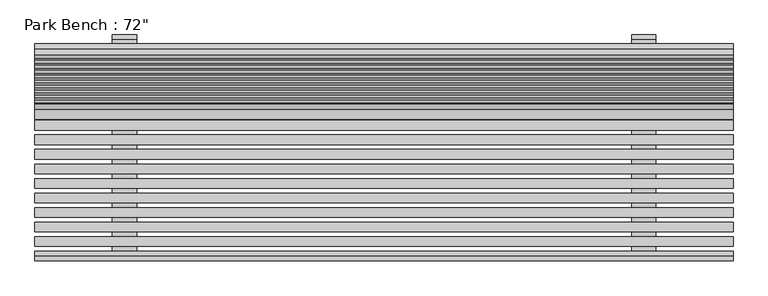
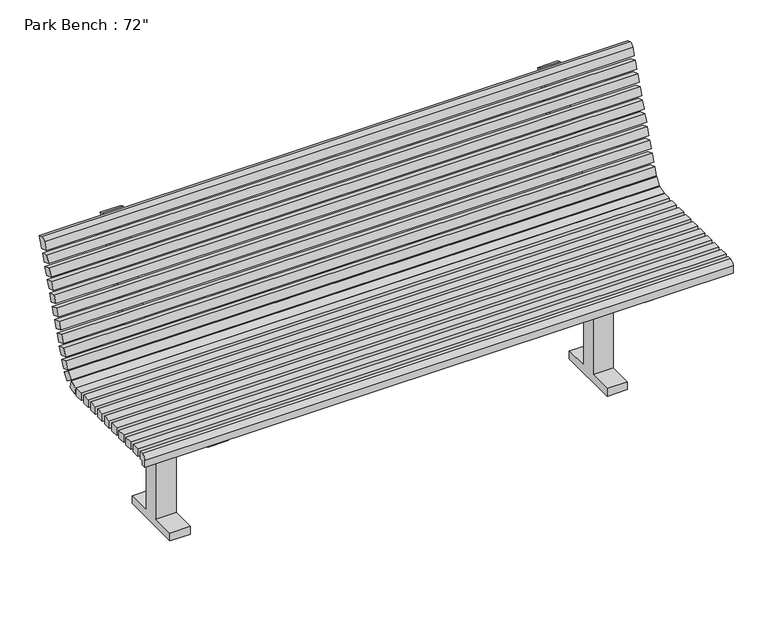
"""IFC4 building model written with IfcOpenShell, lengths in millimetres: geographic element geometry."""

from ifc_helpers import new_model, si_unit, point, frame, frame_2d, origin, place, context, project, spatial, polyline, circle_curve, trimmed, segment, composite_curve, outline, extrude, source, transform, mapped, element, save


def geographic_element_235d1464(model_context):
    return source(origin(), model_context, "Body", "SweptSolid", [
        extrude(outline(polyline([(914.4, -255.4337104), (914.4, -280.8337104), (-914.4, -280.8337104), (-914.4, -255.4337104), (914.4, -255.4337104)])), frame((0.0, 0.0, 457.2), z_axis=(0.0, 0.0, 1.0), x_axis=(1.0, 0.0, 0.0)), (0.0, 0.0, 1.0), 25.4),
        extrude(outline(polyline([(914.4, -217.3337104), (914.4, -242.7337104), (-914.4, -242.7337104), (-914.4, -217.3337104), (914.4, -217.3337104)])), frame((0.0, 0.0, 457.2), z_axis=(0.0, 0.0, 1.0), x_axis=(1.0, 0.0, 0.0)), (0.0, 0.0, 1.0), 25.4),
        extrude(outline(polyline([(914.4, -179.2337104), (914.4, -204.6337104), (-914.4, -204.6337104), (-914.4, -179.2337104), (914.4, -179.2337104)])), frame((0.0, 0.0, 457.2), z_axis=(0.0, 0.0, 1.0), x_axis=(1.0, 0.0, 0.0)), (0.0, 0.0, 1.0), 25.4),
        extrude(outline(polyline([(914.4, -141.1337104), (914.4, -166.5337104), (-914.4, -166.5337104), (-914.4, -141.1337104), (914.4, -141.1337104)])), frame((0.0, 0.0, 457.2), z_axis=(0.0, 0.0, 1.0), x_axis=(1.0, 0.0, 0.0)), (0.0, 0.0, 1.0), 25.4),
        extrude(outline(polyline([(914.4, -103.0337104), (914.4, -128.4337104), (-914.4, -128.4337104), (-914.4, -103.0337104), (914.4, -103.0337104)])), frame((0.0, 0.0, 457.2), z_axis=(0.0, 0.0, 1.0), x_axis=(1.0, 0.0, 0.0)), (0.0, 0.0, 1.0), 25.4),
        extrude(outline(polyline([(914.4, -64.9337104), (914.4, -90.3337104), (-914.4, -90.3337104), (-914.4, -64.9337104), (914.4, -64.9337104)])), frame((0.0, 0.0, 457.2), z_axis=(0.0, 0.0, 1.0), x_axis=(1.0, 0.0, 0.0)), (0.0, 0.0, 1.0), 25.4),
        extrude(outline(polyline([(914.4, -26.8337104), (914.4, -52.2337104), (-914.4, -52.2337104), (-914.4, -26.8337104), (914.4, -26.8337104)])), frame((0.0, 0.0, 457.2), z_axis=(0.0, 0.0, 1.0), x_axis=(1.0, 0.0, 0.0)), (0.0, 0.0, 1.0), 25.4),
        extrude(outline(polyline([(914.4, 11.2662896), (914.4, -14.1337104), (-914.4, -14.1337104), (-914.4, 11.2662896), (914.4, 11.2662896)])), frame((0.0, 0.0, 457.2), z_axis=(0.0, 0.0, 1.0), x_axis=(1.0, 0.0, 0.0)), (0.0, 0.0, 1.0), 25.4),
        extrude(outline(polyline([(914.4, 49.3662896), (914.4, 23.9662896), (-914.4, 23.9662896), (-914.4, 49.3662896), (914.4, 49.3662896)])), frame((0.0, 0.0, 457.2), z_axis=(0.0, 0.0, 1.0), x_axis=(1.0, 0.0, 0.0)), (0.0, 0.0, 1.0), 25.4),
        extrude(outline(composite_curve([segment(polyline([(-304.8, 457.2), (-304.8, 444.5), (-318.9337104, 444.5), (-318.9337104, 468.3125)]), True, "CONTINUOUS"), segment(trimmed(circle_curve(frame_2d((-304.6462104, 468.3125)), 14.2875), [point((-318.9337104, 468.3125))], [point((-304.6462104, 482.6))], False, "CARTESIAN"), True, "CONTINUOUS"), segment(polyline([(-304.6462104, 482.6), (-293.5337104, 482.6), (-293.5337104, 457.2), (-304.8, 457.2)]), True, "CONTINUOUS")], self_intersect=False)), frame((-914.4, 0.0, 0.0), z_axis=(1.0, 0.0, 0.0), x_axis=(0.0, 1.0, 0.0)), (0.0, 0.0, 1.0), 1828.8),
        extrude(outline(polyline([(0.0, -25.4), (0.0, 0.0), (1828.8, 0.0), (1828.8, -25.4), (0.0, -25.4)])), frame((914.4, 121.2738625, 585.5181247), z_axis=(0.0, 0.342020143325687, 0.9396926207859018), x_axis=(-1.0, 0.0, 0.0)), (0.0, 0.0, 1.0), 25.4),
        extrude(outline(polyline([(0.0, -25.4), (0.0, 0.0), (1828.8, 0.0), (1828.8, -25.4), (0.0, -25.4)])), frame((914.4, 134.30483, 621.3204136), z_axis=(0.0, 0.34202014332568254, 0.9396926207859034), x_axis=(-1.0, 0.0, 0.0)), (0.0, 0.0, 1.0), 25.4),
        extrude(outline(polyline([(0.0, -25.3999999), (0.0, 0.0), (1828.8, 0.0), (1828.8, -25.3999999), (0.0, -25.3999999)])), frame((914.4, 95.2119276, 513.913547), z_axis=(0.0, 0.34202014332568254, 0.9396926207859034), x_axis=(-1.0, 0.0, 0.0)), (0.0, 0.0, 1.0), 25.4),
        extrude(outline(polyline([(0.0, -25.4000001), (0.0, 0.0), (1828.8, 0.0), (1828.8, -25.4000001), (0.0, -25.4000001)])), frame((914.4, 108.242895, 549.7158359), z_axis=(0.0, 0.34202014332567804, 0.9396926207859051), x_axis=(-1.0, 0.0, 0.0)), (0.0, 0.0, 1.0), 25.4),
        extrude(outline(polyline([(0.0, -25.4), (0.0, 0.0), (1828.8, 0.0), (1828.8, -25.4), (0.0, -25.4)])), frame((914.4, 173.3977323, 728.7272801), z_axis=(0.0, 0.34202014332568337, 0.9396926207859031), x_axis=(-1.0, 0.0, 0.0)), (0.0, 0.0, 1.0), 25.4),
        extrude(outline(polyline([(0.0, -25.4000001), (0.0, 0.0), (1828.8, 0.0), (1828.8, -25.4000001), (0.0, -25.4000001)])), frame((914.4, 186.4286998, 764.529569), z_axis=(0.0, 0.3420201433256829, 0.9396926207859032), x_axis=(-1.0, 0.0, 0.0)), (0.0, 0.0, 1.0), 25.4),
        extrude(outline(polyline([(0.0, -25.4), (0.0, 0.0), (1828.8, 0.0), (1828.8, -25.4), (0.0, -25.4)])), frame((914.4, 147.3357974, 657.1227024), z_axis=(0.0, 0.3420201433256776, 0.9396926207859052), x_axis=(-1.0, 0.0, 0.0)), (0.0, 0.0, 1.0), 25.4),
        extrude(outline(polyline([(0.0, -25.4), (0.0, 0.0), (1828.8, 0.0), (1828.8, -25.4), (0.0, -25.4)])), frame((914.4, 160.3667649, 692.9249913), z_axis=(0.0, 0.34202014332568254, 0.9396926207859034), x_axis=(-1.0, 0.0, 0.0)), (0.0, 0.0, 1.0), 25.4),
        extrude(outline(polyline([(0.0, -25.3999999), (0.0, 0.0), (1828.8, 0.0), (1828.8, -25.3999999), (0.0, -25.3999999)])), frame((914.4, 199.4596673, 800.3318578), z_axis=(0.0, 0.3420201433256774, 0.9396926207859052), x_axis=(-1.0, 0.0, 0.0)), (0.0, 0.0, 1.0), 25.4),
        extrude(outline(composite_curve([segment(polyline([(249.3897948, 863.2491239), (236.3588273, 827.4468351), (212.4906347, 836.1341467), (221.1779464, 860.0023393)]), True, "CONTINUOUS"), segment(trimmed(circle_curve(frame_2d((233.1120426, 855.6586834)), 12.7), [point((221.1779464, 860.0023393))], [point((237.4556985, 867.5927797))], False, "CARTESIAN"), True, "CONTINUOUS"), segment(polyline([(237.4556985, 867.5927797), (249.3897948, 863.2491239)]), True, "CONTINUOUS")], self_intersect=False)), frame((-914.4, 0.0, 0.0), z_axis=(1.0, 0.0, 0.0), x_axis=(0.0, 1.0, 0.0)), (0.0, 0.0, 1.0), 1828.8),
        extrude(outline(polyline([(0.0, -25.4), (0.0, 0.0), (1828.8, 0.0), (1828.8, -25.4), (0.0, -25.4)])), frame((914.4, 78.7855779, 490.7267336), z_axis=(0.0, 0.5735764363510742, 0.8191520442889721), x_axis=(-1.0, 0.0, 0.0)), (0.0, 0.0, 1.0), 25.4),
        extrude(outline(polyline([(0.0, -25.4), (0.0, 0.0), (1828.8, 0.0), (1828.8, -25.4), (0.0, -25.4)])), frame((914.4, 59.0817015, 457.2297909), z_axis=(0.0, -0.2588190451024684, 0.9659258262890824), x_axis=(-1.0, 0.0, 0.0)), (0.0, 0.0, 1.0), 25.4),
        extrude(outline(composite_curve([segment(polyline([(-101.6, 25.4), (-25.4, 25.4), (-25.4, 431.8), (-304.8, 431.8), (-304.8, 457.2), (57.1368213, 457.2)]), True, "CONTINUOUS"), segment(trimmed(circle_curve(frame_2d((57.1368213, 520.7)), 63.5), [point((57.1368213, 457.2))], [point((116.8073027, 498.9817209))], True, "CARTESIAN"), True, "CONTINUOUS"), segment(polyline([(116.8073027, 498.9817209), (244.9406421, 851.0251774)]), True, "CONTINUOUS"), segment(trimmed(circle_curve(frame_2d((256.8747384, 846.6815216)), 12.7), [point((244.9406421, 851.0251774))], [point((261.2183942, 858.6156178))], False, "CARTESIAN"), True, "CONTINUOUS"), segment(polyline([(261.2183942, 858.6156178), (273.1524905, 854.271962), (140.6754953, 490.2944093)]), True, "CONTINUOUS"), segment(trimmed(circle_curve(frame_2d((57.1368213, 520.7)), 88.9), [point((140.6754953, 490.2944093))], [point((57.1368213, 431.8))], False, "CARTESIAN"), True, "CONTINUOUS"), segment(polyline([(57.1368213, 431.8), (25.4, 431.8), (25.4, 25.4), (101.6, 25.4), (101.6, 0.0), (-101.6, 0.0), (-101.6, 25.4)]), True, "CONTINUOUS")], self_intersect=False)), frame((648.3736591, 0.0, 0.0), z_axis=(1.0, 0.0, 0.0), x_axis=(0.0, 1.0, 0.0)), (0.0, 0.0, 1.0), 62.8263409),
        extrude(outline(composite_curve([segment(polyline([(-101.6, 25.4), (-25.4, 25.4), (-25.4, 431.8), (-304.8, 431.8), (-304.8, 457.2), (57.1368213, 457.2)]), True, "CONTINUOUS"), segment(trimmed(circle_curve(frame_2d((57.1368213, 520.7)), 63.5), [point((57.1368213, 457.2))], [point((116.8073027, 498.9817209))], True, "CARTESIAN"), True, "CONTINUOUS"), segment(polyline([(116.8073027, 498.9817209), (244.9406421, 851.0251774)]), True, "CONTINUOUS"), segment(trimmed(circle_curve(frame_2d((256.8747384, 846.6815216)), 12.7), [point((244.9406421, 851.0251774))], [point((261.2183942, 858.6156178))], False, "CARTESIAN"), True, "CONTINUOUS"), segment(polyline([(261.2183942, 858.6156178), (273.1524905, 854.271962), (140.6754953, 490.2944093)]), True, "CONTINUOUS"), segment(trimmed(circle_curve(frame_2d((57.1368213, 520.7)), 88.9), [point((140.6754953, 490.2944093))], [point((57.1368213, 431.8))], False, "CARTESIAN"), True, "CONTINUOUS"), segment(polyline([(57.1368213, 431.8), (25.4, 431.8), (25.4, 25.4), (101.6, 25.4), (101.6, 0.0), (-101.6, 0.0), (-101.6, 25.4)]), True, "CONTINUOUS")], self_intersect=False)), frame((-711.2, 0.0, 0.0), z_axis=(1.0, 0.0, 0.0), x_axis=(0.0, 1.0, 0.0)), (0.0, 0.0, 1.0), 63.8916859),
    ])


if __name__ == "__main__":
    model = new_model("IFC4")
    model_context = context("Model", 3, world=origin())
    ifc_project = project(units=[si_unit("LENGTHUNIT", "METRE", prefix="MILLI")], contexts=[model_context])
    site = spatial("IfcSite", under=ifc_project)
    building = spatial("IfcBuilding", under=site)
    placement = place(None, origin())
    geographic_element_shape = geographic_element_235d1464(model_context)
    element("IfcGeographicElement", 1, ObjectType="Park Bench : 72\"", at=placement, inside=building, context=model_context, shape_type="MappedRepresentation", body=[
        mapped(geographic_element_shape, transform((0.0, 0.0, 0.0), x_axis=(1.0, 0.0, 0.0), y_axis=(0.0, 1.0, 0.0), z_axis=(0.0, 0.0, 1.0))),
    ])
    save(model, "model.ifc")
